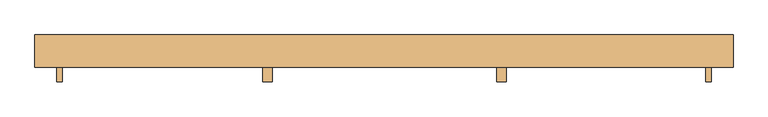
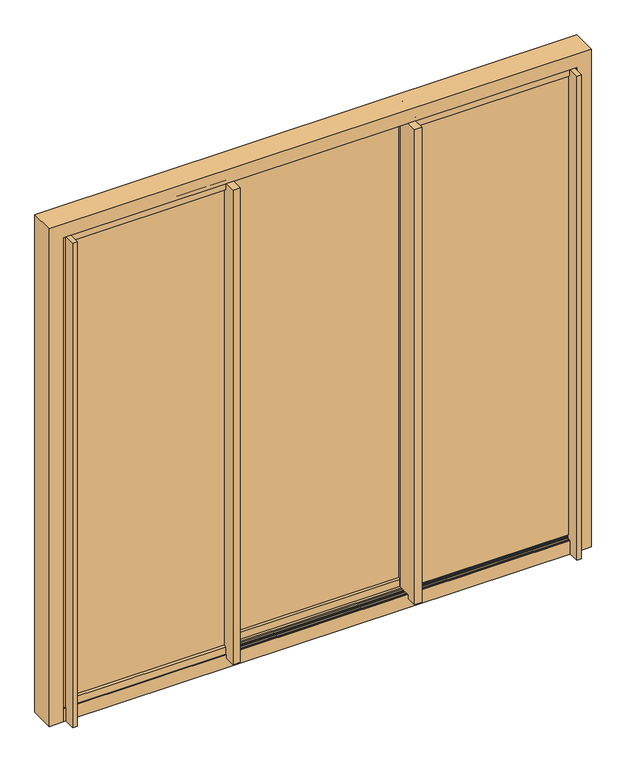
"""IFC4 building model written with IfcOpenShell, lengths in millimetres: door geometry."""

from ifc_helpers import new_model, si_unit, point, frame, frame_2d, origin, origin_with_axes, place, context, project, spatial, polyline, circle_curve, ellipse_curve, trimmed, segment, composite_curve, outline, extrude, faceted_brep, source, transform, mapped, element, save
from ifc_brep_helpers import plane_surface, cylinder_surface, advanced_brep


def door_efa497bd(model_context):
    return source(origin(), model_context, "Body", "SolidModel", [
        extrude(outline(polyline([(1179.5132469, 80.5447926), (1179.5132469, 22.2538623), (1211.2632468, 22.2538623), (1211.2632468, -22.213902), (1179.5132469, -22.213902), (1179.5132469, -80.5048322), (1158.8757468, -80.5048322), (1158.8757468, -12.7), (1171.6283564, -12.7), (1171.6283564, 12.7), (1158.8757468, 12.7), (1158.8757468, 80.5447926), (1179.5132469, 80.5447926)])), origin_with_axes(), (0.0, 0.0, 1.0), 2373.3132468),
        extrude(outline(polyline([(429.872515, 24.1258107), (425.45632, 24.1258107), (419.2081808, 24.7818627), (419.2081808, 26.1576852), (424.85942, 27.2191131), (424.85942, 30.532162), (423.0686386, 31.2425381), (423.0686386, 33.0014697), (428.45352, 34.0128698), (428.45352, 38.0806497), (406.4092293, 38.0806497), (406.4092293, 47.6081102), (419.2081808, 47.6081102), (419.2081808, 73.0081102), (406.4092293, 73.0081102), (406.4092293, 82.8244537), (440.4092293, 82.8244537), (440.4092293, 23.8210107), (436.219599, 23.8210107), (436.0121306, 26.1886928), (431.2504188, 26.1886928), (431.0429503, 23.8210107), (429.872515, 24.1258107)])), frame((0.0, 0.0, 47.224651), z_axis=(0.0, 0.0, 1.0), x_axis=(1.0, 0.0, 0.0)), (0.0, 0.0, 1.0), 2326.0885959),
        extrude(outline(polyline([(406.5282293, 36.5058497), (410.7178596, 36.5058497), (410.9253281, 34.1381676), (415.6870398, 34.1381676), (415.8945083, 36.5058497), (418.57827, 36.5058497), (427.7292778, 35.5449977), (427.7292778, 34.0399354), (422.1192969, 32.9862567), (422.1192969, 29.7783319), (423.86882, 29.0843223), (423.86882, 27.2098134), (418.4839386, 26.1984133), (418.4839386, 22.2462107), (440.5282293, 22.2462107), (440.5282293, 12.7), (427.7803328, 12.7), (427.7803328, -12.7), (440.5282293, -12.7), (440.5282293, -80.5285393), (406.5282293, -80.5285393), (406.5282293, 36.5058497)])), frame((0.0, 0.0, 47.224651), z_axis=(0.0, 0.0, 1.0), x_axis=(1.0, 0.0, 0.0)), (0.0, 0.0, 1.0), 2326.0885959),
        extrude(outline(polyline([(-425.4442857, 24.1258107), (-426.614721, 23.8210107), (-426.8221895, 26.1886928), (-431.5839012, 26.1886928), (-431.7913697, 23.8210107), (-435.981, 23.8210107), (-435.981, 82.8244537), (-401.981, 82.8244537), (-401.981, 73.0081102), (-414.7799515, 73.0081102), (-414.7799515, 47.6081102), (-401.981, 47.6081102), (-401.981, 38.0806497), (-424.0252907, 38.0806497), (-424.0252907, 34.0128698), (-418.6404093, 33.0014697), (-418.6404093, 31.2425381), (-420.4311907, 30.532162), (-420.4311907, 27.2191131), (-414.7799515, 26.1576852), (-414.7799515, 24.7818627), (-421.0280907, 24.1258107), (-425.4442857, 24.1258107)])), frame((0.0, 0.0, 47.224651), z_axis=(0.0, 0.0, 1.0), x_axis=(1.0, 0.0, 0.0)), (0.0, 0.0, 1.0), 2326.0885959),
        extrude(outline(polyline([(-402.1, 36.5058497), (-402.1, -80.5285393), (-436.1, -80.5285393), (-436.1, -12.7), (-423.3521035, -12.7), (-423.3521035, 12.7), (-436.1, 12.7), (-436.1, 22.2462107), (-414.0557093, 22.2462107), (-414.0557093, 26.1984133), (-419.4405907, 27.2098134), (-419.4405907, 29.0843223), (-417.6910676, 29.7783319), (-417.6910676, 32.9862567), (-423.3010485, 34.0399354), (-423.3010485, 35.5449977), (-414.1500407, 36.5058497), (-411.466279, 36.5058497), (-411.2588105, 34.1381676), (-406.4970988, 34.1381676), (-406.2896303, 36.5058497), (-402.1, 36.5058497)])), frame((0.0, 0.0, 47.224651), z_axis=(0.0, 0.0, 1.0), x_axis=(1.0, 0.0, 0.0)), (0.0, 0.0, 1.0), 2326.0885959),
        extrude(outline(polyline([(-1179.5132469, 80.5447926), (-1158.8757468, 80.5447926), (-1158.8757468, 12.7), (-1171.6283564, 12.7), (-1171.6283564, -12.7), (-1158.8757468, -12.7), (-1158.8757468, -80.5048322), (-1179.5132469, -80.5048322), (-1179.5132469, -22.213902), (-1211.2632468, -22.213902), (-1211.2632468, 22.2538623), (-1179.5132469, 22.2538623), (-1179.5132469, 80.5447926)])), origin_with_axes(), (0.0, 0.0, 1.0), 2373.3132468),
        advanced_brep(
        [(-1199.1779983, 38.0558794, 4.3891646), (-1198.3609412, 37.6748794, 4.3891646), (-1193.7880468, 37.6748794, 4.3891646), (-1193.7880468, 82.8868794, 4.3891646), (-1198.3591439, 82.8868794, 4.3891646), (-1199.1779983, 82.5058794, 4.3891646), (-1218.8651815, 82.5058794, 4.3891646), (-1221.2682772, 81.3852974, 4.3891646), (-1221.9338165, 82.812551, 4.3891646), (-1219.2143063, 84.0806794, 4.3891646), (-1192.2132468, 84.0806794, 4.3891646), (-1192.2132468, 36.4810794, 4.3891646), (-1219.2143063, 36.4810794, 4.3891646), (-1221.9338165, 37.7492078, 4.3891646), (-1221.2682772, 39.1764613, 4.3891646), (-1218.8651815, 38.0558794, 4.3891646), (-1199.1779983, 38.0558794, 2380.2155092), (-1198.3609412, 37.6748794, 2379.398452), (-436.1, 37.6748794, 2379.398452), (-436.1, 37.6748794, 2374.8255577), (-1193.7880468, 37.6748794, 2374.8255577), (-1193.7880468, 82.8868794, 2374.8255577), (-436.1, 82.8868794, 2374.8255577), (-436.1, 82.8868794, 2379.3966548), (-1198.3591439, 82.8868794, 2379.3966548), (-1199.1779983, 82.5058794, 2380.2155092), (-436.1, 82.5058794, 2380.2155092), (-436.1, 82.5058794, 2399.9026924), (-1218.8651815, 82.5058794, 2399.9026924), (-1221.2682772, 81.3852974, 2402.3057881), (-1221.9338165, 82.812551, 2402.9713274), (-1219.2143063, 84.0806794, 2400.2518172), (-436.1, 84.0806794, 2400.2518172), (-436.1, 84.0806794, 2373.2507577), (-1192.2132468, 84.0806794, 2373.2507577), (-1192.2132468, 36.4810794, 2373.2507577), (-436.1, 36.4810794, 2373.2507577), (-436.1, 36.4810794, 2400.2518172), (-1219.2143063, 36.4810794, 2400.2518172), (-1221.9338165, 37.7492078, 2402.9713274), (-1221.2682772, 39.1764613, 2402.3057881), (-1218.8651815, 38.0558794, 2399.9026924), (-436.1, 38.0558794, 2399.9026924), (-436.1, 38.0558794, 2380.2155092), (-436.1, 39.1764613, 2402.3057881), (-436.1, 37.7492078, 2402.9713274), (-436.1, 82.812551, 2402.9713274), (-436.1, 81.3852974, 2402.3057881)],
        [
            (0, 1),
            (1, 2),
            (2, 3),
            (3, 4),
            (4, 5),
            (5, 6),
            (6, 7),
            (7, 8, circle_curve(frame((-1221.4748783, 82.1577575, 4.3891646), z_axis=(0.0, 0.0, -1.0), x_axis=(1.0, 0.0, 0.0)), 0.7996115)),
            (8, 9),
            (9, 10),
            (10, 11),
            (11, 12),
            (12, 13),
            (13, 14, circle_curve(frame((-1221.4748783, 38.4040012, 4.3891646), z_axis=(0.0, 0.0, -1.0), x_axis=(1.0, 0.0, 0.0)), 0.7996115)),
            (14, 15),
            (15, 0),
            (0, 16),
            (16, 17),
            (17, 1),
            (17, 18),
            (18, 19),
            (19, 20),
            (20, 2),
            (20, 21),
            (21, 3),
            (21, 22),
            (22, 23),
            (23, 24),
            (24, 4),
            (24, 25),
            (25, 5),
            (25, 26),
            (26, 27),
            (27, 28),
            (28, 6),
            (28, 29),
            (29, 7),
            (29, 30, ellipse_curve(frame((-1221.4748783, 82.1577575, 2402.5123892), z_axis=(-0.7071067811865475, 0.0, -0.7071067811865475), x_axis=(0.7071067811865474, 0.0, -0.7071067811865476)), 1.1308215, 0.7996115)),
            (30, 8),
            (30, 31),
            (31, 9),
            (31, 32),
            (32, 33),
            (33, 34),
            (34, 10),
            (34, 35),
            (35, 11),
            (35, 36),
            (36, 37),
            (37, 38),
            (38, 12),
            (38, 39),
            (39, 13),
            (39, 40, ellipse_curve(frame((-1221.4748783, 38.4040012, 2402.5123892), z_axis=(-0.7071067811865475, 0.0, -0.7071067811865475), x_axis=(0.7071067811865474, 0.0, -0.7071067811865476)), 1.1308215, 0.7996115)),
            (40, 14),
            (40, 41),
            (41, 15),
            (41, 42),
            (42, 43),
            (43, 16),
            (42, 44),
            (44, 45, circle_curve(frame((-436.1, 38.4040012, 2402.5123892), z_axis=(1.0, 0.0, 0.0), x_axis=(0.0, 0.0, -1.0)), 0.7996115)),
            (45, 37),
            (36, 33),
            (32, 46),
            (46, 47, circle_curve(frame((-436.1, 82.1577575, 2402.5123892), z_axis=(1.0, 0.0, 0.0), x_axis=(0.0, 0.0, -1.0)), 0.7996115)),
            (47, 27),
            (26, 23),
            (22, 19),
            (18, 43),
            (40, 44),
            (39, 45),
            (30, 46),
            (29, 47),
        ],
        [
            plane_surface(frame((-1257.3624891, 120.5580649, 4.3891646), z_axis=(0.0, 0.0, -1.0), x_axis=(0.0, 1.0, 0.0))),
            plane_surface(frame((-1199.1779983, 38.0558794, 4.3891646), z_axis=(0.42261825717266066, 0.9063077891667615, 0.0), x_axis=(0.0, 0.0, 1.0))),
            plane_surface(frame((-1198.3609412, 37.6748794, 4.3891646), z_axis=(0.0, 1.0, 0.0), x_axis=(0.0, 0.0, 1.0))),
            plane_surface(frame((-1193.7880468, 37.6748794, 4.3891646), z_axis=(-1.0, 0.0, 0.0), x_axis=(0.0, 0.0, 1.0))),
            plane_surface(frame((-1193.7880468, 82.8868794, 4.3891646), z_axis=(0.0, -1.0, 0.0), x_axis=(0.0, 0.0, 1.0))),
            plane_surface(frame((-1198.3591439, 82.8868794, 4.3891646), z_axis=(0.4218559087348512, -0.906662887883635, 0.0), x_axis=(0.0, 0.0, 1.0))),
            plane_surface(frame((-1199.1779983, 82.5058794, 4.3891646), z_axis=(0.0, -1.0, 0.0), x_axis=(0.0, 0.0, 1.0))),
            plane_surface(frame((-1218.8651815, 82.5058794, 4.3891646), z_axis=(0.42261825717267926, -0.9063077891667528, 0.0), x_axis=(0.0, 0.0, 1.0))),
            cylinder_surface(frame((-1221.4748783, 82.1577575, 4.3891646), z_axis=(0.0, 0.0, -1.0), x_axis=(1.0, 0.0, 0.0)), 0.7996115),
            plane_surface(frame((-1221.9338165, 82.812551, 4.3891646), z_axis=(-0.4226182571723196, 0.9063077891669206, 0.0), x_axis=(0.0, 0.0, 1.0))),
            plane_surface(frame((-1219.2143063, 84.0806794, 4.3891646), z_axis=(0.0, 1.0, 0.0), x_axis=(0.0, 0.0, 1.0))),
            plane_surface(frame((-1192.2132468, 84.0806794, 4.3891646), z_axis=(1.0, 0.0, 0.0), x_axis=(0.0, 0.0, 1.0))),
            plane_surface(frame((-1192.2132468, 36.4810794, 4.3891646), z_axis=(0.0, -1.0, 0.0), x_axis=(0.0, 0.0, 1.0))),
            plane_surface(frame((-1219.2143063, 36.4810794, 4.3891646), z_axis=(-0.4226182571722794, -0.9063077891669392, 0.0), x_axis=(0.0, 0.0, 1.0))),
            cylinder_surface(frame((-1221.4748783, 38.4040012, 4.3891646), z_axis=(0.0, 0.0, -1.0), x_axis=(1.0, 0.0, 0.0)), 0.7996115),
            plane_surface(frame((-1221.2682772, 39.1764613, 4.3891646), z_axis=(0.4226182571725451, 0.9063077891668153, 0.0), x_axis=(0.0, 0.0, 1.0))),
            plane_surface(frame((-1218.8651815, 38.0558794, 4.3891646), z_axis=(0.0, 1.0, 0.0), x_axis=(0.0, 0.0, 1.0))),
            plane_surface(frame((-436.1, 120.5580649, 2438.4), z_axis=(1.0, 0.0, 0.0), x_axis=(0.0, 1.0, 0.0))),
            plane_surface(frame((-1221.2682772, 39.1764613, 2402.3057881), z_axis=(0.0, 0.9063077891668125, -0.42261825717255097), x_axis=(1.0, 0.0, 0.0))),
            cylinder_surface(frame((-1257.3624891, 38.4040012, 2402.5123892), z_axis=(-1.0, 0.0, 0.0), x_axis=(0.0, 0.0, -1.0)), 0.7996115),
            plane_surface(frame((-1219.2143063, 36.4810794, 2400.2518172), z_axis=(0.0, -0.9063077891669364, 0.4226182571722853), x_axis=(1.0, 0.0, 0.0))),
            plane_surface(frame((-1192.2132468, 84.0806794, 2373.2507577), z_axis=(0.0, 0.0, -1.0), x_axis=(1.0, 0.0, 0.0))),
            plane_surface(frame((-1221.9338165, 82.812551, 2402.9713274), z_axis=(0.0, 0.9063077891669233, 0.4226182571723137), x_axis=(1.0, 0.0, 0.0))),
            cylinder_surface(frame((-1257.3624891, 82.1577575, 2402.5123892), z_axis=(-1.0, 0.0, 0.0), x_axis=(0.0, 0.0, -1.0)), 0.7996115),
            plane_surface(frame((-1218.8651815, 82.5058794, 2399.9026924), z_axis=(0.0, -0.9063077891667556, -0.4226182571726734), x_axis=(1.0, 0.0, 0.0))),
            plane_surface(frame((-1198.3591439, 82.8868794, 2379.3966548), z_axis=(0.0, -0.9066628878836378, -0.4218559087348453), x_axis=(1.0, 0.0, 0.0))),
            plane_surface(frame((-1193.7880468, 37.6748794, 2374.8255577), z_axis=(0.0, 0.0, 1.0), x_axis=(1.0, 0.0, 0.0))),
            plane_surface(frame((-1199.1779983, 38.0558794, 2380.2155092), z_axis=(0.0, 0.9063077891667587, -0.42261825717266654), x_axis=(1.0, 0.0, 0.0))),
        ],
        [
            (0, [[1, 2, 3, 4, 5, 6, 7, 8, 9, 10, 11, 12, 13, 14, 15, 16]]),
            (1, [[-1, 17, 18, 19]]),
            (2, [[-2, -19, 20, 21, 22, 23]]),
            (3, [[-3, -23, 24, 25]]),
            (4, [[-4, -25, 26, 27, 28, 29]]),
            (5, [[-5, -29, 30, 31]]),
            (6, [[-6, -31, 32, 33, 34, 35]]),
            (7, [[-7, -35, 36, 37]]),
            (8, [[-8, -37, 38, 39]]),
            (9, [[-9, -39, 40, 41]]),
            (10, [[-10, -41, 42, 43, 44, 45]]),
            (11, [[-11, -45, 46, 47]]),
            (12, [[-12, -47, 48, 49, 50, 51]]),
            (13, [[-13, -51, 52, 53]]),
            (14, [[-14, -53, 54, 55]]),
            (15, [[-15, -55, 56, 57]]),
            (16, [[-16, -57, 58, 59, 60, -17]]),
            (17, [[-59, 61, 62, 63, -49, 64, -43, 65, 66, 67, -33, 68, -27, 69, -21, 70]]),
            (18, [[-56, 71, -61, -58]]),
            (19, [[-54, 72, -62, -71]]),
            (20, [[-52, -50, -63, -72]]),
            (21, [[-46, -44, -64, -48]]),
            (22, [[-40, 73, -65, -42]]),
            (23, [[-38, 74, -66, -73]]),
            (24, [[-36, -34, -67, -74]]),
            (25, [[-30, -28, -68, -32]]),
            (26, [[-24, -22, -69, -26]]),
            (27, [[-18, -60, -70, -20]]),
        ],
    ),
        extrude(outline(polyline([(419.1, 73.0228291), (419.1, 47.6040794), (-419.1, 47.6040794), (-419.1, 73.0228291), (419.1, 73.0228291)])), frame((0.0, 0.0, 85.6716611), z_axis=(0.0, 0.0, 1.0), x_axis=(1.0, 0.0, 0.0)), (0.0, 0.0, 1.0), 2266.7050301),
        extrude(outline(polyline([(-426.3647267, 12.7147188), (-426.3647267, -11.2852812), (-1199.4154845, -11.2852812), (-1199.4154845, 12.7147188), (-426.3647267, 12.7147188)])), frame((0.0, 0.0, 85.6716611), z_axis=(0.0, 0.0, 1.0), x_axis=(1.0, 0.0, 0.0)), (0.0, 0.0, 1.0), 2266.7050301),
        extrude(outline(polyline([(1171.6285342, 12.7334685), (1171.6285342, -12.6852812), (419.1, -12.6852812), (419.1, 12.7334685), (1171.6285342, 12.7334685)])), frame((0.0, 0.0, 85.6716611), z_axis=(0.0, 0.0, 1.0), x_axis=(1.0, 0.0, 0.0)), (0.0, 0.0, 1.0), 2266.7050301),
        advanced_brep(
        [(1199.1779983, 38.0558794, 4.3891646), (1218.8651815, 38.0558794, 4.3891646), (1221.2682772, 39.1764613, 4.3891646), (1221.9338165, 37.7492078, 4.3891646), (1219.2143063, 36.4810794, 4.3891646), (1192.2132468, 36.4810794, 4.3891646), (1192.2132468, 84.0806794, 4.3891646), (1219.2143063, 84.0806794, 4.3891646), (1221.9338165, 82.812551, 4.3891646), (1221.2682772, 81.3852974, 4.3891646), (1218.8651815, 82.5058794, 4.3891646), (1199.1779983, 82.5058794, 4.3891646), (1198.3591439, 82.8868794, 4.3891646), (1193.7880468, 82.8868794, 4.3891646), (1193.7880468, 37.6748794, 4.3891646), (1198.3609412, 37.6748794, 4.3891646), (1199.1779983, 38.0558794, 2380.2155092), (440.5282293, 38.0558794, 2380.2155092), (440.5282293, 38.0558794, 2399.9026924), (1218.8651815, 38.0558794, 2399.9026924), (1221.2682772, 39.1764613, 2402.3057881), (1221.9338165, 37.7492078, 2402.9713274), (1219.2143063, 36.4810794, 2400.2518172), (440.5282293, 36.4810794, 2400.2518172), (440.5282293, 36.4810794, 2373.2507577), (1192.2132468, 36.4810794, 2373.2507577), (1192.2132468, 84.0806794, 2373.2507577), (440.5282293, 84.0806794, 2373.2507577), (440.5282293, 84.0806794, 2400.2518172), (1219.2143063, 84.0806794, 2400.2518172), (1221.9338165, 82.812551, 2402.9713274), (1221.2682772, 81.3852974, 2402.3057881), (1218.8651815, 82.5058794, 2399.9026924), (440.5282293, 82.5058794, 2399.9026924), (440.5282293, 82.5058794, 2380.2155092), (1199.1779983, 82.5058794, 2380.2155092), (1198.3591439, 82.8868794, 2379.3966548), (440.5282293, 82.8868794, 2379.3966548), (440.5282293, 82.8868794, 2374.8255577), (1193.7880468, 82.8868794, 2374.8255577), (1193.7880468, 37.6748794, 2374.8255577), (440.5282293, 37.6748794, 2374.8255577), (440.5282293, 37.6748794, 2379.398452), (1198.3609412, 37.6748794, 2379.398452), (440.5282293, 81.3852974, 2402.3057881), (440.5282293, 82.812551, 2402.9713274), (440.5282293, 37.7492078, 2402.9713274), (440.5282293, 39.1764613, 2402.3057881)],
        [
            (0, 1),
            (1, 2),
            (2, 3, circle_curve(frame((1221.4748783, 38.4040012, 4.3891646), z_axis=(0.0, 0.0, -1.0), x_axis=(1.0, 0.0, 0.0)), 0.7996115)),
            (3, 4),
            (4, 5),
            (5, 6),
            (6, 7),
            (7, 8),
            (8, 9, circle_curve(frame((1221.4748783, 82.1577575, 4.3891646), z_axis=(0.0, 0.0, -1.0), x_axis=(1.0, 0.0, 0.0)), 0.7996115)),
            (9, 10),
            (10, 11),
            (11, 12),
            (12, 13),
            (13, 14),
            (14, 15),
            (15, 0),
            (0, 16),
            (16, 17),
            (17, 18),
            (18, 19),
            (19, 1),
            (19, 20),
            (20, 2),
            (20, 21, ellipse_curve(frame((1221.4748783, 38.4040012, 2402.5123892), z_axis=(0.7071067811865475, 0.0, -0.7071067811865475), x_axis=(-0.7071067811865474, 0.0, -0.7071067811865476)), 1.1308215, 0.7996115)),
            (21, 3),
            (21, 22),
            (22, 4),
            (22, 23),
            (23, 24),
            (24, 25),
            (25, 5),
            (25, 26),
            (26, 6),
            (26, 27),
            (27, 28),
            (28, 29),
            (29, 7),
            (29, 30),
            (30, 8),
            (30, 31, ellipse_curve(frame((1221.4748783, 82.1577575, 2402.5123892), z_axis=(0.7071067811865475, 0.0, -0.7071067811865475), x_axis=(-0.7071067811865474, 0.0, -0.7071067811865476)), 1.1308215, 0.7996115)),
            (31, 9),
            (31, 32),
            (32, 10),
            (32, 33),
            (33, 34),
            (34, 35),
            (35, 11),
            (35, 36),
            (36, 12),
            (36, 37),
            (37, 38),
            (38, 39),
            (39, 13),
            (39, 40),
            (40, 14),
            (40, 41),
            (41, 42),
            (42, 43),
            (43, 15),
            (43, 16),
            (17, 42),
            (41, 38),
            (37, 34),
            (33, 44),
            (44, 45, circle_curve(frame((440.5282293, 82.1577575, 2402.5123892), z_axis=(-1.0, 0.0, 0.0), x_axis=(0.0, 0.0, 1.0)), 0.7996115)),
            (45, 28),
            (27, 24),
            (23, 46),
            (46, 47, circle_curve(frame((440.5282293, 38.4040012, 2402.5123892), z_axis=(-1.0, 0.0, 0.0), x_axis=(0.0, 0.0, 1.0)), 0.7996115)),
            (47, 18),
            (31, 44),
            (30, 45),
            (21, 46),
            (20, 47),
        ],
        [
            plane_surface(frame((1257.3624891, 120.5580649, 4.3891646), z_axis=(0.0, 0.0, -1.0), x_axis=(0.0, 1.0, 0.0))),
            plane_surface(frame((1199.1779983, 38.0558794, 4.3891646), z_axis=(0.0, 1.0, 0.0), x_axis=(0.0, 0.0, 1.0))),
            plane_surface(frame((1218.8651815, 38.0558794, 4.3891646), z_axis=(-0.4226182571725451, 0.9063077891668153, 0.0), x_axis=(0.0, 0.0, 1.0))),
            cylinder_surface(frame((1221.4748783, 38.4040012, 4.3891646), z_axis=(0.0, 0.0, -1.0), x_axis=(1.0, 0.0, 0.0)), 0.7996115),
            plane_surface(frame((1221.9338165, 37.7492078, 4.3891646), z_axis=(0.42261825717225987, -0.9063077891669483, 0.0), x_axis=(0.0, 0.0, 1.0))),
            plane_surface(frame((1219.2143063, 36.4810794, 4.3891646), z_axis=(0.0, -1.0, 0.0), x_axis=(0.0, 0.0, 1.0))),
            plane_surface(frame((1192.2132468, 36.4810794, 4.3891646), z_axis=(-1.0, 0.0, 0.0), x_axis=(0.0, 0.0, 1.0))),
            plane_surface(frame((1192.2132468, 84.0806794, 4.3891646), z_axis=(0.0, 1.0, 0.0), x_axis=(0.0, 0.0, 1.0))),
            plane_surface(frame((1219.2143063, 84.0806794, 4.3891646), z_axis=(0.42261825717231494, 0.9063077891669227, 0.0), x_axis=(0.0, 0.0, 1.0))),
            cylinder_surface(frame((1221.4748783, 82.1577575, 4.3891646), z_axis=(0.0, 0.0, -1.0), x_axis=(1.0, 0.0, 0.0)), 0.7996115),
            plane_surface(frame((1221.2682772, 81.3852974, 4.3891646), z_axis=(-0.4226182571726454, -0.9063077891667686, 0.0), x_axis=(0.0, 0.0, 1.0))),
            plane_surface(frame((1218.8651815, 82.5058794, 4.3891646), z_axis=(0.0, -1.0, 0.0), x_axis=(0.0, 0.0, 1.0))),
            plane_surface(frame((1199.1779983, 82.5058794, 4.3891646), z_axis=(-0.4218559087348512, -0.906662887883635, 0.0), x_axis=(0.0, 0.0, 1.0))),
            plane_surface(frame((1198.3591439, 82.8868794, 4.3891646), z_axis=(0.0, -1.0, 0.0), x_axis=(0.0, 0.0, 1.0))),
            plane_surface(frame((1193.7880468, 82.8868794, 4.3891646), z_axis=(1.0, 0.0, 0.0), x_axis=(0.0, 0.0, 1.0))),
            plane_surface(frame((1193.7880468, 37.6748794, 4.3891646), z_axis=(0.0, 1.0, 0.0), x_axis=(0.0, 0.0, 1.0))),
            plane_surface(frame((1198.3609412, 37.6748794, 4.3891646), z_axis=(-0.42261825717266066, 0.9063077891667615, 0.0), x_axis=(0.0, 0.0, 1.0))),
            plane_surface(frame((440.5282293, 120.5580649, 2438.4), z_axis=(-1.0, 0.0, 0.0), x_axis=(0.0, 1.0, 0.0))),
            plane_surface(frame((1198.3609412, 37.6748794, 2379.398452), z_axis=(0.0, 0.9063077891667587, -0.42261825717266654), x_axis=(-1.0, 0.0, 0.0))),
            plane_surface(frame((1193.7880468, 82.8868794, 2374.8255577), z_axis=(0.0, 0.0, 1.0), x_axis=(-1.0, 0.0, 0.0))),
            plane_surface(frame((1199.1779983, 82.5058794, 2380.2155092), z_axis=(0.0, -0.9066628878836378, -0.4218559087348453), x_axis=(-1.0, 0.0, 0.0))),
            plane_surface(frame((1221.2682772, 81.3852974, 2402.3057881), z_axis=(0.0, -0.9063077891667713, -0.4226182571726395), x_axis=(-1.0, 0.0, 0.0))),
            cylinder_surface(frame((1257.3624891, 82.1577575, 2402.5123892), z_axis=(1.0, 0.0, 0.0), x_axis=(0.0, 0.0, 1.0)), 0.7996115),
            plane_surface(frame((1219.2143063, 84.0806794, 2400.2518172), z_axis=(0.0, 0.9063077891669254, 0.42261825717230905), x_axis=(-1.0, 0.0, 0.0))),
            plane_surface(frame((1192.2132468, 36.4810794, 2373.2507577), z_axis=(0.0, 0.0, -1.0), x_axis=(-1.0, 0.0, 0.0))),
            plane_surface(frame((1221.9338165, 37.7492078, 2402.9713274), z_axis=(0.0, -0.9063077891669455, 0.42261825717226575), x_axis=(-1.0, 0.0, 0.0))),
            cylinder_surface(frame((1257.3624891, 38.4040012, 2402.5123892), z_axis=(1.0, 0.0, 0.0), x_axis=(0.0, 0.0, 1.0)), 0.7996115),
            plane_surface(frame((1218.8651815, 38.0558794, 2399.9026924), z_axis=(0.0, 0.9063077891668125, -0.42261825717255097), x_axis=(-1.0, 0.0, 0.0))),
        ],
        [
            (0, [[1, 2, 3, 4, 5, 6, 7, 8, 9, 10, 11, 12, 13, 14, 15, 16]]),
            (1, [[-1, 17, 18, 19, 20, 21]]),
            (2, [[-2, -21, 22, 23]]),
            (3, [[-3, -23, 24, 25]]),
            (4, [[-4, -25, 26, 27]]),
            (5, [[-5, -27, 28, 29, 30, 31]]),
            (6, [[-6, -31, 32, 33]]),
            (7, [[-7, -33, 34, 35, 36, 37]]),
            (8, [[-8, -37, 38, 39]]),
            (9, [[-9, -39, 40, 41]]),
            (10, [[-10, -41, 42, 43]]),
            (11, [[-11, -43, 44, 45, 46, 47]]),
            (12, [[-12, -47, 48, 49]]),
            (13, [[-13, -49, 50, 51, 52, 53]]),
            (14, [[-14, -53, 54, 55]]),
            (15, [[-15, -55, 56, 57, 58, 59]]),
            (16, [[-16, -59, 60, -17]]),
            (17, [[61, -57, 62, -51, 63, -45, 64, 65, 66, -35, 67, -29, 68, 69, 70, -19]]),
            (18, [[-60, -58, -61, -18]]),
            (19, [[-54, -52, -62, -56]]),
            (20, [[-48, -46, -63, -50]]),
            (21, [[-42, 71, -64, -44]]),
            (22, [[-40, 72, -65, -71]]),
            (23, [[-38, -36, -66, -72]]),
            (24, [[-32, -30, -67, -34]]),
            (25, [[-26, 73, -68, -28]]),
            (26, [[-24, 74, -69, -73]]),
            (27, [[-22, -20, -70, -74]]),
        ],
    ),
        faceted_brep([(-1257.3, -28.156056, 0.0), (-1257.3, 88.4475797, 0.0), (-1192.2132468, 88.4475797, 0.0), (-1192.2132468, 84.4597797, 0.0), (-1222.3884478, 84.4597797, 0.0), (-1222.3884478, 36.1080384, 0.0), (-1192.1507577, 36.1080384, 0.0), (-1192.1507577, 24.1700384, 0.0), (-1222.3884478, 24.1700384, 0.0), (-1222.3884478, -24.168256, 0.0), (-1192.2132468, -24.168256, 0.0), (-1192.2132468, -28.156056, 0.0), (-1257.3, -28.156056, 2438.4), (-1257.3, 88.4475797, 2438.4), (1257.3, 88.4475797, 2438.4), (1257.3, 88.4475797, 0.0), (1192.2132468, 88.4475797, 0.0), (1192.2132468, 88.4475797, 2373.3132468), (-1192.2132468, 88.4475797, 2373.3132468), (-1192.2132468, 84.4597797, 2373.3132468), (1192.2132468, 84.4597797, 2373.3132468), (1192.2132468, 84.4597797, 0.0), (1222.3884478, 84.4597797, 0.0), (1222.3884478, 84.4597797, 2403.4884478), (-1222.3884478, 84.4597797, 2403.4884478), (-1222.3884478, 36.1080384, 2403.4884478), (1222.3884478, 36.1080384, 2403.4884478), (1222.3884478, 36.1080384, 0.0), (1192.1507577, 36.1080384, 0.0), (1192.1507577, 36.1080384, 2373.2507577), (-1192.1507577, 36.1080384, 2373.2507577), (-1192.1507577, 24.1700384, 2373.2507577), (1192.1507577, 24.1700384, 2373.2507577), (1192.1507577, 24.1700384, 0.0), (1222.3884478, 24.1700384, 0.0), (1222.3884478, 24.1700384, 2403.4884478), (-1222.3884478, 24.1700384, 2403.4884478), (-1222.3884478, -24.168256, 2403.4884478), (1222.3884478, -24.168256, 2403.4884478), (1222.3884478, -24.168256, 0.0), (1192.2132468, -24.168256, 0.0), (1192.2132468, -24.168256, 2373.3132468), (-1192.2132468, -24.168256, 2373.3132468), (-1192.2132468, -28.156056, 2373.3132468), (1192.2132468, -28.156056, 2373.3132468), (1192.2132468, -28.156056, 0.0), (1257.3, -28.156056, 0.0), (1257.3, -28.156056, 2438.4)], [[[0, 1, 2, 3, 4, 5, 6, 7, 8, 9, 10, 11]], [[1, 0, 12, 13]], [[2, 1, 13, 14, 15, 16, 17, 18]], [[3, 2, 18, 19]], [[4, 3, 19, 20, 21, 22, 23, 24]], [[5, 4, 24, 25]], [[6, 5, 25, 26, 27, 28, 29, 30]], [[7, 6, 30, 31]], [[8, 7, 31, 32, 33, 34, 35, 36]], [[9, 8, 36, 37]], [[10, 9, 37, 38, 39, 40, 41, 42]], [[11, 10, 42, 43]], [[0, 11, 43, 44, 45, 46, 47, 12]], [[46, 45, 40, 39, 34, 33, 28, 27, 22, 21, 16, 15]], [[44, 41, 40, 45]], [[38, 35, 34, 39]], [[32, 29, 28, 33]], [[26, 23, 22, 27]], [[20, 17, 16, 21]], [[14, 47, 46, 15]], [[13, 12, 47, 14]], [[19, 18, 17, 20]], [[25, 24, 23, 26]], [[31, 30, 29, 32]], [[37, 36, 35, 38]], [[43, 42, 41, 44]]]),
        extrude(outline(composite_curve([segment(polyline([(-22.0185507, 2338.3559453), (-22.0185507, 2381.610924), (-21.2211725, 2384.9380876)]), True, "CONTINUOUS"), segment(trimmed(circle_curve(frame_2d((-20.2339006, 2384.6981912)), 1.016), [point((-21.2211725, 2384.9380876))], [point((-19.4093309, 2385.2917743))], False, "CARTESIAN"), True, "CONTINUOUS"), segment(polyline([(-19.4093309, 2385.2917743), (-19.4093309, 2370.4564675), (19.4412296, 2370.4564675), (19.4412296, 2385.2917743)]), True, "CONTINUOUS"), segment(trimmed(circle_curve(frame_2d((20.2657993, 2384.6981912)), 1.016), [point((19.4412296, 2385.2917743))], [point((21.2530712, 2384.9380876))], False, "CARTESIAN"), True, "CONTINUOUS"), segment(polyline([(21.2530712, 2384.9380876), (22.0504493, 2381.610924), (22.0504493, 2338.3568413), (12.7147188, 2334.9589131), (12.7147188, 2352.3766912), (-12.6852812, 2352.3766912), (-12.6852812, 2334.9589135), (-22.0185507, 2338.3559453)]), True, "CONTINUOUS")], self_intersect=False)), frame((440.5282293, 0.0, 0.0), z_axis=(1.0, 0.0, 0.0), x_axis=(0.0, 1.0, 0.0)), (0.0, 0.0, 1.0), 770.7350175),
        extrude(outline(composite_curve([segment(polyline([(-22.0185507, 99.692407), (-12.6852812, 103.0894389), (-12.6852812, 85.6716611), (12.7147188, 85.6716611), (12.7147188, 103.0894392), (22.0504493, 99.6915111), (22.0504493, 56.4374283), (21.2530712, 53.1102647)]), True, "CONTINUOUS"), segment(trimmed(circle_curve(frame_2d((20.2657993, 53.3501611)), 1.016), [point((21.2530712, 53.1102647))], [point((19.4412296, 52.7565781))], False, "CARTESIAN"), True, "CONTINUOUS"), segment(polyline([(19.4412296, 52.7565781), (19.4412296, 67.5918848), (-19.4093309, 67.5918848), (-19.4093309, 52.7565781)]), True, "CONTINUOUS"), segment(trimmed(circle_curve(frame_2d((-20.2339006, 53.3501611)), 1.016), [point((-19.4093309, 52.7565781))], [point((-21.2211725, 53.1102647))], False, "CARTESIAN"), True, "CONTINUOUS"), segment(polyline([(-21.2211725, 53.1102647), (-22.0185507, 56.4374283), (-22.0185507, 99.692407)]), True, "CONTINUOUS")], self_intersect=False)), frame((-1211.2632468, 0.0, 0.0), z_axis=(1.0, 0.0, 0.0), x_axis=(0.0, 1.0, 0.0)), (0.0, 0.0, 1.0), 792.1632468),
        extrude(outline(composite_curve([segment(polyline([(-22.0185507, 2338.3559453), (-22.0185507, 2381.610924), (-21.2211725, 2384.9380876)]), True, "CONTINUOUS"), segment(trimmed(circle_curve(frame_2d((-20.2339006, 2384.6981912)), 1.016), [point((-21.2211725, 2384.9380876))], [point((-19.4093309, 2385.2917743))], False, "CARTESIAN"), True, "CONTINUOUS"), segment(polyline([(-19.4093309, 2385.2917743), (-19.4093309, 2370.4564675), (19.4412296, 2370.4564675), (19.4412296, 2385.2917743)]), True, "CONTINUOUS"), segment(trimmed(circle_curve(frame_2d((20.2657993, 2384.6981912)), 1.016), [point((19.4412296, 2385.2917743))], [point((21.2530712, 2384.9380876))], False, "CARTESIAN"), True, "CONTINUOUS"), segment(polyline([(21.2530712, 2384.9380876), (22.0504493, 2381.610924), (22.0504493, 2338.3568413), (12.7147188, 2334.9589131), (12.7147188, 2352.3766912), (-12.6852812, 2352.3766912), (-12.6852812, 2334.9589135), (-22.0185507, 2338.3559453)]), True, "CONTINUOUS")], self_intersect=False)), frame((-1211.2632468, 0.0, 0.0), z_axis=(1.0, 0.0, 0.0), x_axis=(0.0, 1.0, 0.0)), (0.0, 0.0, 1.0), 775.2822468),
        extrude(outline(composite_curve([segment(polyline([(38.2708099, 99.692407), (47.6040794, 103.0894389), (47.6040794, 85.6716611), (73.0040794, 85.6716611), (73.0040794, 103.0894392), (82.3398099, 99.6915111), (82.3398099, 56.4374283), (81.5424318, 53.1102647)]), True, "CONTINUOUS"), segment(trimmed(circle_curve(frame_2d((80.5551599, 53.3501611)), 1.016), [point((81.5424318, 53.1102647))], [point((79.7305902, 52.7565781))], False, "CARTESIAN"), True, "CONTINUOUS"), segment(polyline([(79.7305902, 52.7565781), (79.7305902, 67.5918848), (40.8800296, 67.5918848), (40.8800296, 52.7565781)]), True, "CONTINUOUS"), segment(trimmed(circle_curve(frame_2d((40.0554599, 53.3501611)), 1.016), [point((40.8800296, 52.7565781))], [point((39.0681881, 53.1102647))], False, "CARTESIAN"), True, "CONTINUOUS"), segment(polyline([(39.0681881, 53.1102647), (38.2708099, 56.4374283), (38.2708099, 99.692407)]), True, "CONTINUOUS")], self_intersect=False)), frame((-419.1, 0.0, 0.0), z_axis=(1.0, 0.0, 0.0), x_axis=(0.0, 1.0, 0.0)), (0.0, 0.0, 1.0), 1611.3132468),
        extrude(outline(composite_curve([segment(polyline([(7.1326099, 65.0867532), (17.0466729, 65.0867532)]), True, "CONTINUOUS"), segment(trimmed(circle_curve(frame_2d((17.0466729, 64.2993532)), 0.7874), [point((17.0466729, 65.0867532))], [point((17.8340729, 64.2993532))], False, "CARTESIAN"), True, "CONTINUOUS"), segment(polyline([(17.8340729, 64.2993532), (17.8340729, 50.8682481), (24.1700384, 50.8682481), (24.1700384, 65.1492423), (36.1080384, 65.1492423), (36.1080384, 55.5443706), (38.2722189, 55.5443706), (38.2722189, 52.2919994), (40.0751657, 52.2919994)]), True, "CONTINUOUS"), segment(trimmed(circle_curve(frame_2d((40.0751657, 53.0857494)), 0.79375), [point((40.0751657, 52.2919994))], [point((40.8689157, 53.0857494))], True, "CARTESIAN"), True, "CONTINUOUS"), segment(polyline([(40.8689157, 53.0857494), (40.8594556, 57.664284), (46.7071248, 63.5119532), (73.8296821, 63.5119532), (79.6759926, 57.6656427), (79.6854555, 53.0857494)]), True, "CONTINUOUS"), segment(trimmed(circle_curve(frame_2d((80.4792055, 53.0857494)), 0.79375), [point((79.6854555, 53.0857494))], [point((80.4792055, 52.2919994))], True, "CARTESIAN"), True, "CONTINUOUS"), segment(polyline([(80.4792055, 52.2919994), (82.264588, 52.2919994), (82.264588, 55.5443706), (84.4463328, 55.5443706), (84.4463328, 65.0867532), (88.4341328, 65.0867532), (88.4341328, 0.0), (83.2485566, 0.0), (82.7721429, 1.778), (86.6561328, 1.778), (86.6561328, 5.0863963), (77.2966319, 5.576907), (55.7248817, 5.576907), (55.7248817, 6.7074345), (49.4170384, 7.0380145), (49.4170384, 1.9812), (52.4142384, 1.9812), (52.4142384, 0.0), (47.6390384, 0.0), (47.6390384, 4.4546624), (12.6390384, 4.4546624), (12.6390384, 0.0), (7.8638384, 0.0), (7.8638384, 1.9812), (10.8610384, 1.9812), (10.8610384, 7.0380145), (4.553195, 6.7074345), (4.553195, 5.576907), (-17.0185551, 5.576907), (-26.378056, 5.0863963), (-26.378056, 1.778), (-22.990595, 1.778), (-22.990595, 0.0), (-28.156056, 0.0), (-28.156056, 65.0867532), (-24.168256, 65.0867532), (-24.168256, 50.8682481), (-17.8436532, 50.8682481), (-17.8436532, 64.2993532)]), True, "CONTINUOUS"), segment(trimmed(circle_curve(frame_2d((-17.0562532, 64.2993532)), 0.7874), [point((-17.8436532, 64.2993532))], [point((-17.0562532, 65.0867532))], False, "CARTESIAN"), True, "CONTINUOUS"), segment(polyline([(-17.0562532, 65.0867532), (-7.1421901, 65.0867532)]), True, "CONTINUOUS"), segment(trimmed(circle_curve(frame_2d((-7.1421901, 64.2993532)), 0.7874), [point((-7.1421901, 65.0867532))], [point((-6.3547901, 64.2993532))], False, "CARTESIAN"), True, "CONTINUOUS"), segment(polyline([(-6.3547901, 64.2993532), (-6.3547901, 55.3691629), (-5.4509932, 55.3691629), (-2.6088272, 59.4281967)]), True, "CONTINUOUS"), segment(trimmed(circle_curve(frame_2d((-0.004931, 60.005543)), 2.6671341), [point((-2.6088272, 59.4281967))], [point((2.599912, 59.4324832))], False, "CARTESIAN"), True, "CONTINUOUS"), segment(polyline([(2.599912, 59.4324832), (5.4449741, 55.3691629), (6.3452099, 55.3691629), (6.3452099, 64.2993532)]), True, "CONTINUOUS"), segment(trimmed(circle_curve(frame_2d((7.1326099, 64.2993532)), 0.7874), [point((6.3452099, 64.2993532))], [point((7.1326099, 65.0867532))], False, "CARTESIAN"), True, "CONTINUOUS")], self_intersect=False)), frame((-1192.1507577, 0.0, 0.0), z_axis=(1.0, 0.0, 0.0), x_axis=(0.0, 1.0, 0.0)), (0.0, 0.0, 1.0), 2384.3640046),
        extrude(outline(composite_curve([segment(polyline([(38.2708099, 2338.3559453), (38.2708099, 2381.610924), (39.0681881, 2384.9380876)]), True, "CONTINUOUS"), segment(trimmed(circle_curve(frame_2d((40.0554599, 2384.6981912)), 1.016), [point((39.0681881, 2384.9380876))], [point((40.8800296, 2385.2917743))], False, "CARTESIAN"), True, "CONTINUOUS"), segment(polyline([(40.8800296, 2385.2917743), (40.8800296, 2370.4564675), (79.7305902, 2370.4564675), (79.7305902, 2385.2917743)]), True, "CONTINUOUS"), segment(trimmed(circle_curve(frame_2d((80.5551599, 2384.6981912)), 1.016), [point((79.7305902, 2385.2917743))], [point((81.5424318, 2384.9380876))], False, "CARTESIAN"), True, "CONTINUOUS"), segment(polyline([(81.5424318, 2384.9380876), (82.3398099, 2381.610924), (82.3398099, 2338.3568413), (73.0040794, 2334.9589131), (73.0040794, 2352.3766912), (47.6040794, 2352.3766912), (47.6040794, 2334.9589135), (38.2708099, 2338.3559453)]), True, "CONTINUOUS")], self_intersect=False)), frame((-435.981, 0.0, 0.0), z_axis=(1.0, 0.0, 0.0), x_axis=(0.0, 1.0, 0.0)), (0.0, 0.0, 1.0), 855.081),
    ])


if __name__ == "__main__":
    model = new_model("IFC4")
    model_context = context("Model", 3, world=origin())
    ifc_project = project(units=[si_unit("LENGTHUNIT", "METRE", prefix="MILLI")], contexts=[model_context])
    site = spatial("IfcSite", under=ifc_project)
    building = spatial("IfcBuilding", under=site)
    placement = place(None, origin())
    door_shape = door_efa497bd(model_context)
    element("IfcDoor", 1, at=placement, inside=building, context=model_context, shape_type="MappedRepresentation", body=[
        mapped(door_shape, transform((0.0, 0.0, 0.0), x_axis=(1.0, 0.0, 0.0), y_axis=(0.0, 1.0, 0.0), z_axis=(0.0, 0.0, 1.0))),
    ])
    save(model, "model.ifc")
